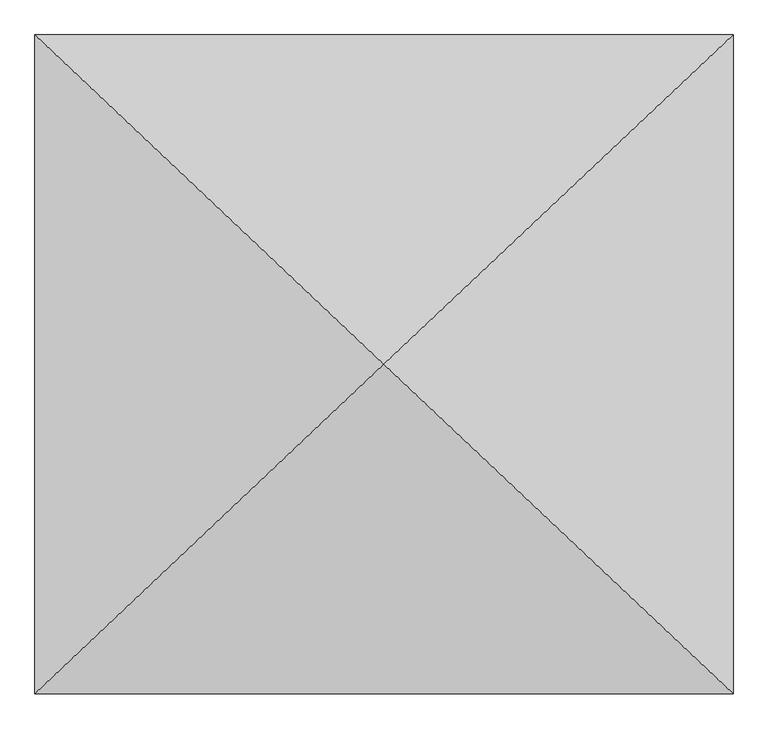
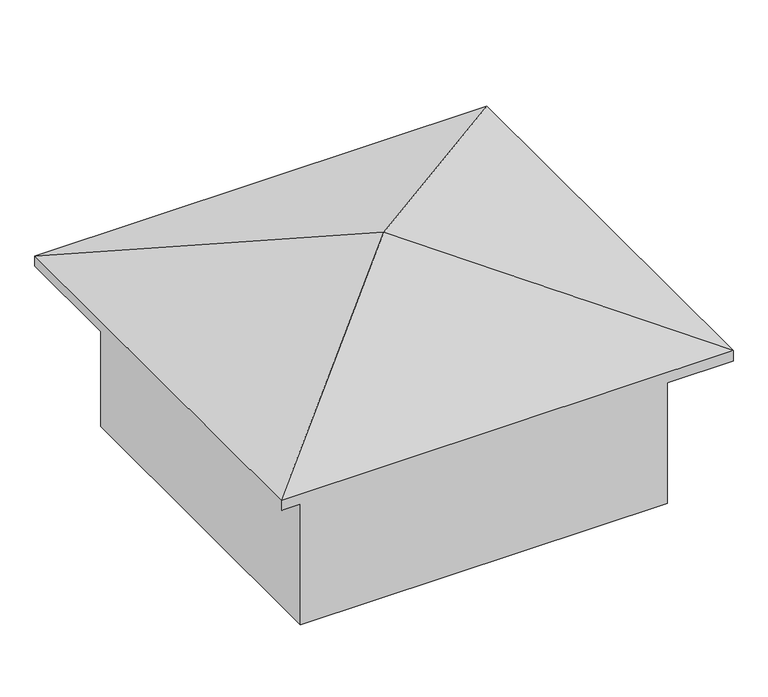
"""IFC4 building model written with IfcOpenShell, lengths in millimetres: geographic element geometry."""

from ifc_helpers import new_model, si_unit, origin, place, context, project, spatial, triangles, source, transform, mapped, element, save


def geographic_element_17133d38(model_context):
    return source(origin(), model_context, "Body", "Tessellation", [
        triangles([(3737.1858398, 3525.6470078, 4077.6185486), (0.0, 7051.2940155, 2828.4695045), (0.0, 0.0, 2828.4695045), (7474.3716797, 7051.2940155, 2828.4695045), (7474.3716797, 0.0, 2828.4695045), (7474.3716797, 7051.2940155, 2652.3782181), (0.0, 0.0, 2652.3782181), (0.0, 7051.2940155, 2652.3782181), (7474.3716797, 0.0, 2652.3782181), (6771.3320343, 6388.0490341, 0.0), (703.0395, 663.244836, 0.0), (703.0395, 6388.0490341, 0.0), (6771.3320343, 663.244836, 0.0), (6771.3320343, 663.244836, 2828.4695045), (703.0395, 663.244836, 2828.4695045), (6771.3320343, 6388.0490341, 2828.4695045), (703.0395, 6388.0490341, 2828.4695045)], [[1, 2, 3], [4, 2, 1], [5, 1, 3], [4, 1, 5], [6, 7, 8], [7, 6, 9], [2, 7, 3], [7, 2, 8], [2, 6, 8], [6, 2, 4], [6, 5, 9], [5, 6, 4], [5, 7, 9], [7, 5, 3], [10, 11, 12], [11, 10, 13], [14, 11, 13], [11, 14, 15], [10, 14, 13], [14, 10, 16], [17, 10, 12], [10, 17, 16], [17, 11, 15], [11, 17, 12], [14, 17, 15], [17, 14, 16]]),
    ])


if __name__ == "__main__":
    model = new_model("IFC4")
    model_context = context("Model", 3, world=origin())
    ifc_project = project(units=[si_unit("LENGTHUNIT", "METRE", prefix="MILLI")], contexts=[model_context])
    site = spatial("IfcSite", under=ifc_project)
    building = spatial("IfcBuilding", under=site)
    placement = place(None, origin())
    geographic_element_shape = geographic_element_17133d38(model_context)
    element("IfcGeographicElement", 1, at=placement, inside=building, context=model_context, shape_type="MappedRepresentation", body=[
        mapped(geographic_element_shape, transform((0.0, 0.0, 0.0), x_axis=(1.0, 0.0, 0.0), y_axis=(0.0, 1.0, 0.0), z_axis=(0.0, 0.0, 1.0))),
    ])
    save(model, "model.ifc")
